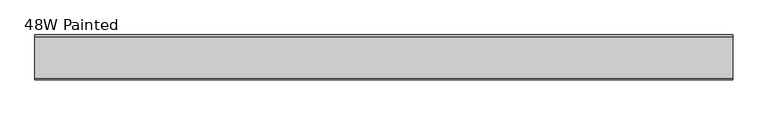
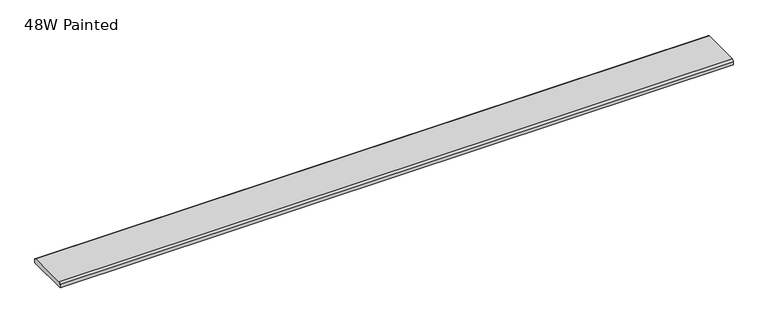
"""IFC4 building model written with IfcOpenShell, lengths in millimetres: furniture geometry, 48W Painted."""

from ifc_helpers import new_model, si_unit, point, frame, frame_2d, origin, place, context, project, spatial, polyline, circle_curve, trimmed, segment, composite_curve, outline, extrude, source, transform, mapped, element, save


def furniture_48w_painted_1ca00635(model_context):
    return source(origin(), model_context, "Body", "SweptSolid", [
        extrude(outline(composite_curve([segment(polyline([(37.5704018, 1715.516), (37.5704018, 1709.166), (-40.8679732, 1709.166), (-40.8679732, 1715.516)]), True, "CONTINUOUS"), segment(trimmed(circle_curve(frame_2d((-37.6929732, 1715.516)), 3.175), [point((-40.8679732, 1715.516))], [point((-37.6929732, 1718.691))], False, "CARTESIAN"), True, "CONTINUOUS"), segment(polyline([(-37.6929732, 1718.691), (34.3954018, 1718.691)]), True, "CONTINUOUS"), segment(trimmed(circle_curve(frame_2d((34.3954018, 1715.516)), 3.175), [point((34.3954018, 1718.691))], [point((37.5704018, 1715.516))], False, "CARTESIAN"), True, "CONTINUOUS")], self_intersect=False)), frame((-607.374325, 0.0, 0.0), z_axis=(1.0, 0.0, 0.0), x_axis=(0.0, 1.0, 0.0)), (0.0, 0.0, 1.0), 1214.755),
    ])


if __name__ == "__main__":
    model = new_model("IFC4")
    model_context = context("Model", 3, world=origin())
    ifc_project = project(units=[si_unit("LENGTHUNIT", "METRE", prefix="MILLI")], contexts=[model_context])
    site = spatial("IfcSite", under=ifc_project)
    building = spatial("IfcBuilding", under=site)
    placement = place(None, origin())
    furniture_48w_painted_shape = furniture_48w_painted_1ca00635(model_context)
    element("IfcFurniture", 1, ObjectType="48W Painted", at=placement, inside=building, context=model_context, shape_type="MappedRepresentation", body=[
        mapped(furniture_48w_painted_shape, transform((0.0, 0.0, 0.0), x_axis=(1.0, 0.0, 0.0), y_axis=(0.0, 1.0, 0.0), z_axis=(0.0, 0.0, 1.0))),
    ])
    save(model, "model.ifc")
